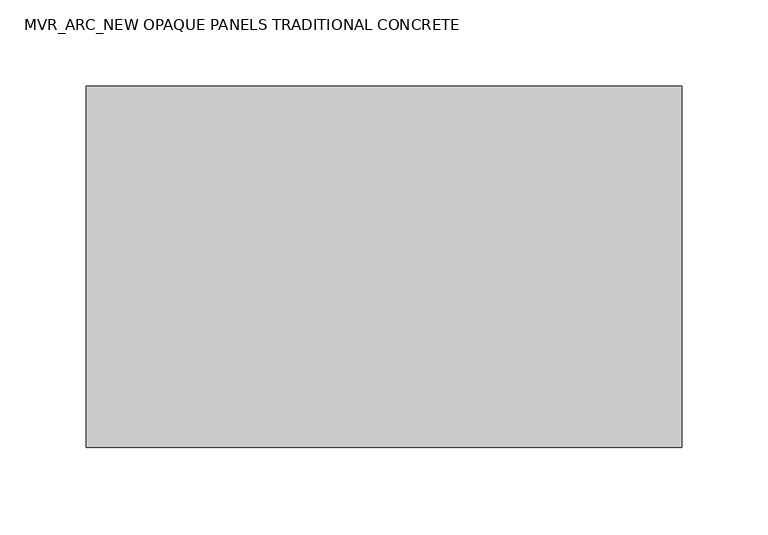
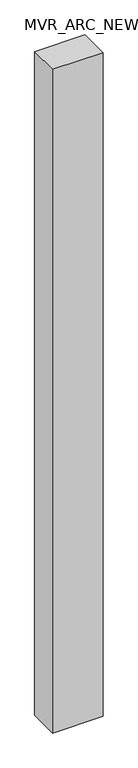
"""IFC4 building model written with IfcOpenShell, lengths in millimetres: plate geometry, MVR_ARC_NEW OPAQUE PANELS TRADITIONAL CONCRETE."""

from ifc_helpers import new_model, si_unit, origin, origin_with_axes, place, context, project, spatial, polyline, outline, extrude, source, transform, mapped, element, save


def mvr_arc_new_opaque_panels_traditional_concrete_73c9793b(model_context):
    return source(origin(), model_context, "Body", "SweptSolid", [
        extrude(outline(polyline([(173.0, -150.0), (-173.0, -150.0), (-173.0, 60.0), (173.0, 60.0), (173.0, -150.0)])), origin_with_axes(), (0.0, 0.0, 1.0), 4800.0),
    ])


if __name__ == "__main__":
    model = new_model("IFC4")
    model_context = context("Model", 3, world=origin())
    ifc_project = project(units=[si_unit("LENGTHUNIT", "METRE", prefix="MILLI")], contexts=[model_context])
    site = spatial("IfcSite", under=ifc_project)
    building = spatial("IfcBuilding", under=site)
    placement = place(None, origin())
    mvr_arc_new_opaque_panels_traditional_concrete_shape = mvr_arc_new_opaque_panels_traditional_concrete_73c9793b(model_context)
    element("IfcPlate", 1, ObjectType="MVR_ARC_NEW OPAQUE PANELS TRADITIONAL CONCRETE", at=placement, inside=building, context=model_context, shape_type="MappedRepresentation", body=[
        mapped(mvr_arc_new_opaque_panels_traditional_concrete_shape, transform((0.0, 0.0, 0.0), x_axis=(1.0, 0.0, 0.0), y_axis=(0.0, 1.0, 0.0), z_axis=(0.0, 0.0, 1.0))),
    ])
    save(model, "model.ifc")
